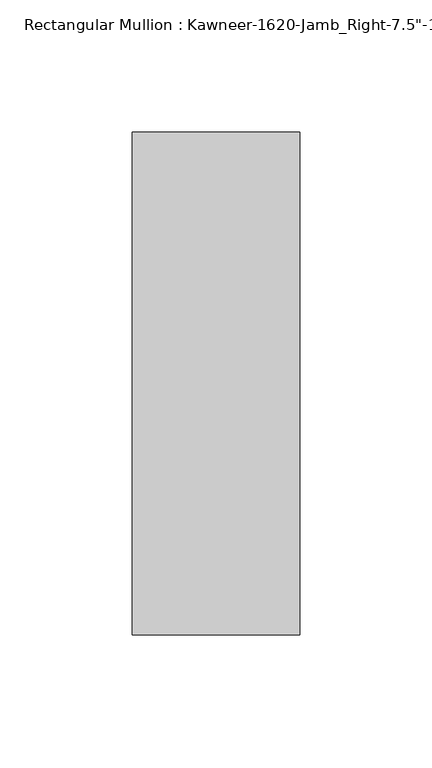
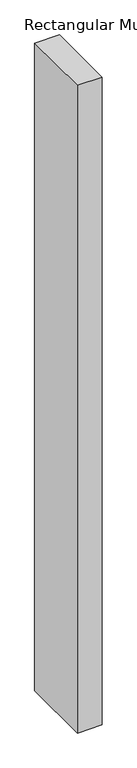
"""IFC4 building model written with IfcOpenShell, lengths in millimetres: member geometry."""

from ifc_helpers import new_model, si_unit, frame, origin, place, context, project, spatial, polyline, outline, extrude, source, transform, mapped, element, save


def member_cec207d2(model_context):
    return source(origin(), model_context, "Body", "SweptSolid", [
        extrude(outline(polyline([(-63.5, -38.1), (-63.5, 152.4), (0.0, 152.4), (0.0, -38.1), (-63.5, -38.1)])), frame((0.0, 0.0, -1765.3), z_axis=(0.0, 0.0, 1.0), x_axis=(1.0, 0.0, 0.0)), (0.0, 0.0, 1.0), 1765.3),
    ])


if __name__ == "__main__":
    model = new_model("IFC4")
    model_context = context("Model", 3, world=origin())
    ifc_project = project(units=[si_unit("LENGTHUNIT", "METRE", prefix="MILLI")], contexts=[model_context])
    site = spatial("IfcSite", under=ifc_project)
    building = spatial("IfcBuilding", under=site)
    placement = place(None, origin())
    member_shape = member_cec207d2(model_context)
    element("IfcMember", 1, ObjectType="Rectangular Mullion : Kawneer-1620-Jamb_Right-7.5\"-1\"Infill", at=placement, inside=building, context=model_context, shape_type="MappedRepresentation", body=[
        mapped(member_shape, transform((0.0, 0.0, 0.0), x_axis=(1.0, 0.0, 0.0), y_axis=(0.0, 1.0, 0.0), z_axis=(0.0, 0.0, 1.0))),
    ])
    save(model, "model.ifc")
